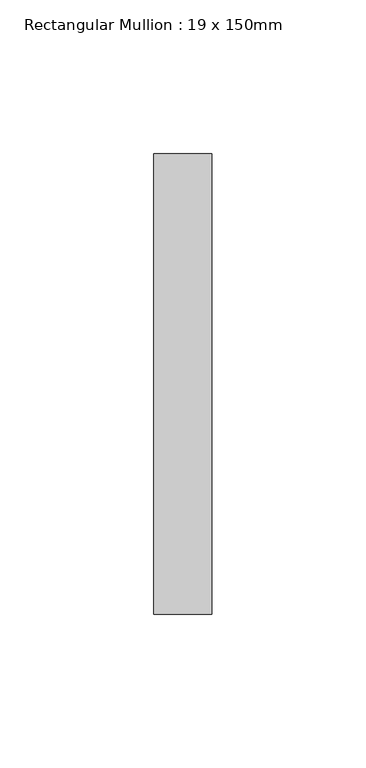
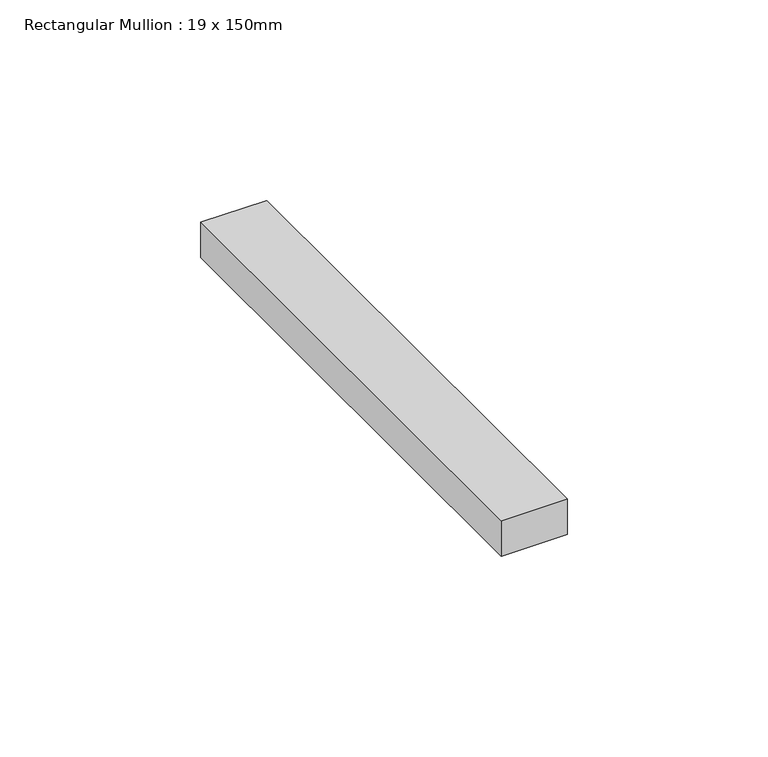
"""IFC4 building model written with IfcOpenShell, lengths in millimetres: member geometry, Rectangular Mullion : 19 x 150mm."""

from ifc_helpers import new_model, si_unit, frame, origin, place, context, project, spatial, polyline, outline, extrude, source, transform, mapped, element, save


def rectangular_mullion_19_x_150mm_7ce355ae(model_context):
    return source(origin(), model_context, "Body", "SweptSolid", [
        extrude(outline(polyline([(9.5, -25.0), (9.5, -175.0), (-9.5, -175.0), (-9.5, -25.0), (9.5, -25.0)])), frame((0.0, 0.0, -10.7451932), z_axis=(0.0, 0.0, 1.0), x_axis=(1.0, 0.0, 0.0)), (0.0, 0.0, 1.0), 10.7451932),
    ])


if __name__ == "__main__":
    model = new_model("IFC4")
    model_context = context("Model", 3, world=origin())
    ifc_project = project(units=[si_unit("LENGTHUNIT", "METRE", prefix="MILLI")], contexts=[model_context])
    site = spatial("IfcSite", under=ifc_project)
    building = spatial("IfcBuilding", under=site)
    placement = place(None, origin())
    rectangular_mullion_19_x_150mm_shape = rectangular_mullion_19_x_150mm_7ce355ae(model_context)
    element("IfcMember", 1, ObjectType="Rectangular Mullion : 19 x 150mm", at=placement, inside=building, context=model_context, shape_type="MappedRepresentation", body=[
        mapped(rectangular_mullion_19_x_150mm_shape, transform((0.0, 0.0, 0.0), x_axis=(1.0, 0.0, 0.0), y_axis=(0.0, 1.0, 0.0), z_axis=(0.0, 0.0, 1.0))),
    ])
    save(model, "model.ifc")
